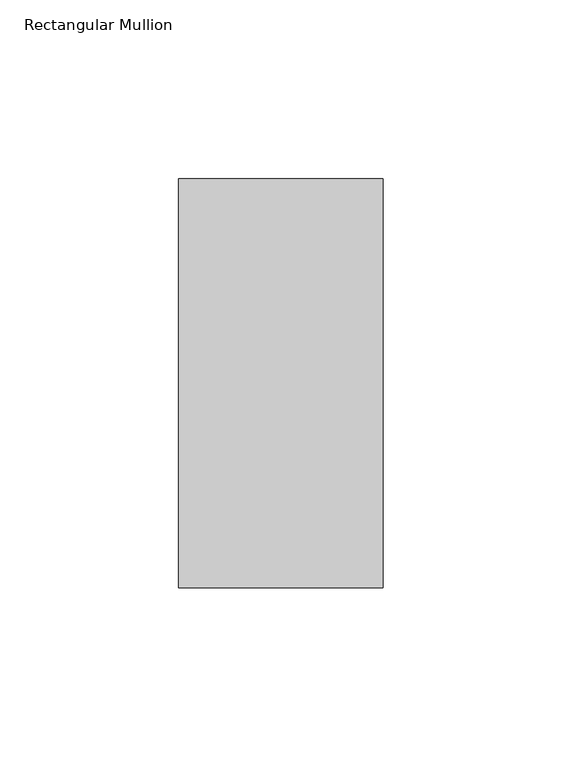
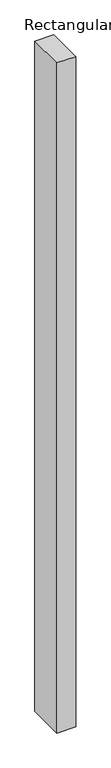
"""IFC4 building model written with IfcOpenShell, lengths in millimetres: member geometry, Rectangular Mullion."""

from ifc_helpers import new_model, si_unit, frame, origin, place, context, project, spatial, polyline, outline, extrude, source, transform, mapped, element, save


def rectangular_mullion_04a99d6a(model_context):
    return source(origin(), model_context, "Body", "SweptSolid", [
        extrude(outline(polyline([(-57.15, 57.12714), (0.0, 57.12714), (0.0, -57.17286), (-57.15, -57.17286), (-57.15, 57.12714)])), frame((0.0, 0.0, -2133.6), z_axis=(0.0, 0.0, 1.0), x_axis=(1.0, 0.0, 0.0)), (0.0, 0.0, 1.0), 2133.6),
    ])


if __name__ == "__main__":
    model = new_model("IFC4")
    model_context = context("Model", 3, world=origin())
    ifc_project = project(units=[si_unit("LENGTHUNIT", "METRE", prefix="MILLI")], contexts=[model_context])
    site = spatial("IfcSite", under=ifc_project)
    building = spatial("IfcBuilding", under=site)
    placement = place(None, origin())
    rectangular_mullion_shape = rectangular_mullion_04a99d6a(model_context)
    element("IfcMember", 1, ObjectType="Rectangular Mullion", at=placement, inside=building, context=model_context, shape_type="MappedRepresentation", body=[
        mapped(rectangular_mullion_shape, transform((0.0, 0.0, 0.0), x_axis=(1.0, 0.0, 0.0), y_axis=(0.0, 1.0, 0.0), z_axis=(0.0, 0.0, 1.0))),
    ])
    save(model, "model.ifc")
